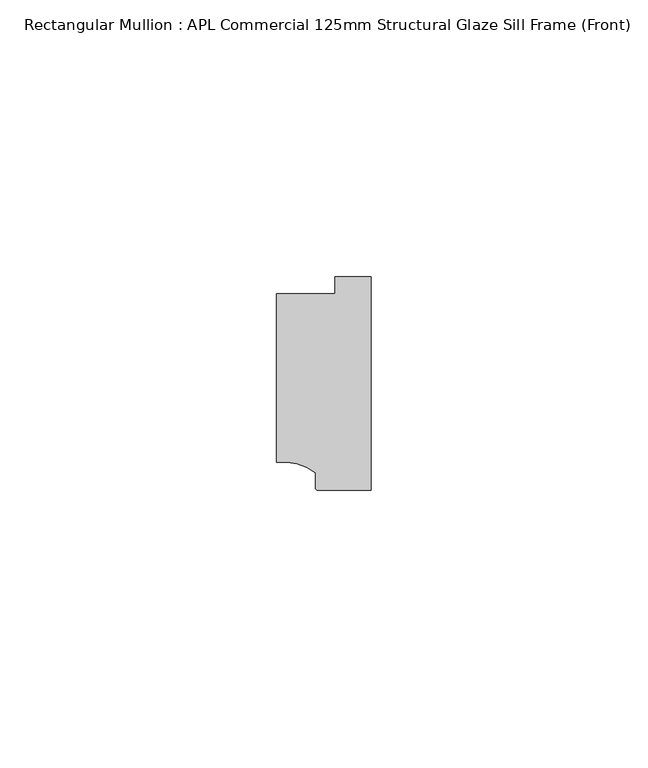
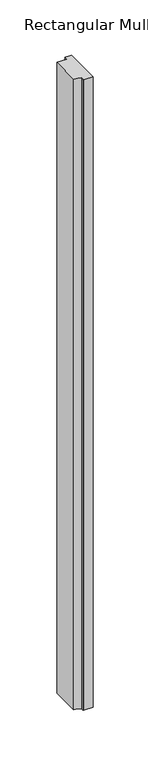
"""IFC4 building model written with IfcOpenShell, lengths in millimetres: member geometry, Rectangular Mullion : APL Commercial 125mm Structural Glaze Sill Frame (Front)."""

from ifc_helpers import new_model, si_unit, point, frame, frame_2d, origin, place, context, project, spatial, polyline, circle_curve, trimmed, segment, composite_curve, outline, extrude, source, transform, mapped, element, save


def rectangular_mullion_apl_commercial_125mm_structural_glaze_33b0e67a(model_context):
    return source(origin(), model_context, "Body", "SweptSolid", [
        extrude(outline(composite_curve([segment(polyline([(-16.999942, -15.3793144), (-16.999942, 15.0004332), (-6.5000029, 15.0004332), (-6.5000029, 18.0281616), (0.0, 18.0281616), (0.0, -20.49978), (-9.5000029, -20.49978)]), True, "CONTINUOUS"), segment(trimmed(circle_curve(frame_2d((-9.5000029, -19.99978)), 0.5), [point((-9.5000029, -20.49978))], [point((-10.0, -19.9980675))], False, "CARTESIAN"), True, "CONTINUOUS"), segment(polyline([(-10.0, -19.9980675), (-10.0, -17.3120901)]), True, "CONTINUOUS"), segment(trimmed(circle_curve(frame_2d((-16.1098048, -25.7977481)), 10.4563907), [point((-10.0, -17.3120901))], [point((-16.999942, -15.3793144))], True, "CARTESIAN"), True, "CONTINUOUS")], self_intersect=False)), frame((0.0, 0.0, -695.1973517), z_axis=(0.0, 0.0, 1.0), x_axis=(1.0, 0.0, 0.0)), (0.0, 0.0, 1.0), 695.1973517),
    ])


if __name__ == "__main__":
    model = new_model("IFC4")
    model_context = context("Model", 3, world=origin())
    ifc_project = project(units=[si_unit("LENGTHUNIT", "METRE", prefix="MILLI")], contexts=[model_context])
    site = spatial("IfcSite", under=ifc_project)
    building = spatial("IfcBuilding", under=site)
    placement = place(None, origin())
    rectangular_mullion_apl_commercial_125mm_structural_glaze_shape = rectangular_mullion_apl_commercial_125mm_structural_glaze_33b0e67a(model_context)
    element("IfcMember", 1, ObjectType="Rectangular Mullion : APL Commercial 125mm Structural Glaze Sill Frame (Front)", at=placement, inside=building, context=model_context, shape_type="MappedRepresentation", body=[
        mapped(rectangular_mullion_apl_commercial_125mm_structural_glaze_shape, transform((0.0, 0.0, 0.0), x_axis=(1.0, 0.0, 0.0), y_axis=(0.0, 1.0, 0.0), z_axis=(0.0, 0.0, 1.0))),
    ])
    save(model, "model.ifc")
